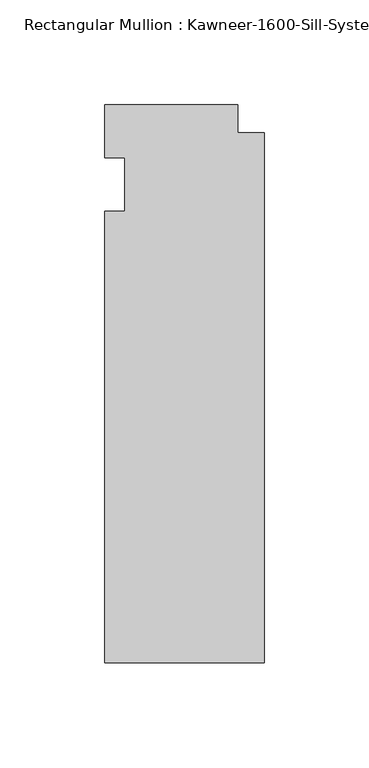
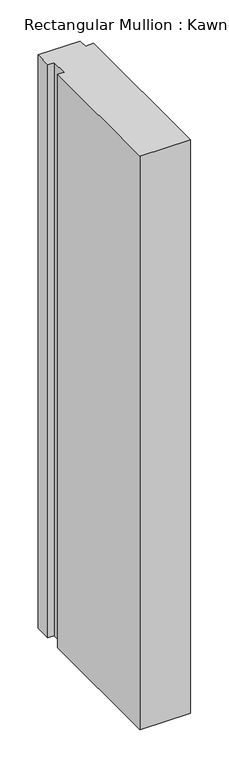
"""IFC4 building model written with IfcOpenShell, lengths in millimetres: member geometry."""

import ifcopenshell
import ifcopenshell.guid

model = None  # the IFC model being written
_history = None  # IfcOwnerHistory: only IFC2X3 demands one
_inside = {}  # id of a spatial element -> (the spatial element, [elements in it])
_under = {}  # id of a project, library or spatial element -> (it, [spatial elements below it])
_declared = {}  # id of a project -> (the project, [libraries it declares])
_typed = {}  # id of a type object -> (the type object, [elements of that type])
_made_of = {}  # id of a material, layer set ... -> (it, [elements and type objects made of it])


def new_model(schema):
    """Start an empty IFC model of exactly this schema.

    Asked for "IFC4X3", IfcOpenShell would pick the latest addendum, in which some entities
    have other attributes; the version numbers below select the first issue.
    IFC2X3 requires an IfcOwnerHistory on every rooted entity: one is made here for all.
    """
    global model, _history
    if schema == "IFC4X3":
        model = ifcopenshell.file(schema_version=(4, 3, 0, 0))
    else:
        model = ifcopenshell.file(schema=schema)
    _inside.clear()
    _under.clear()
    _declared.clear()
    _typed.clear()
    _made_of.clear()
    _history = None
    if model.schema == "IFC2X3":
        org = make("IfcOrganization", Name="unknown")
        user = make(
            "IfcPersonAndOrganization",
            ThePerson=make("IfcPerson", FamilyName="unknown"),
            TheOrganization=org,
        )
        app = make(
            "IfcApplication",
            ApplicationDeveloper=org,
            Version="unknown",
            ApplicationFullName="unknown",
            ApplicationIdentifier="unknown",
        )
        _history = make(
            "IfcOwnerHistory",
            OwningUser=user,
            OwningApplication=app,
            ChangeAction="ADDED",
            CreationDate=0,
        )
    return model


def make(cls, **values):
    """One entity of the class cls with the attributes given. An attribute that is None is left unset."""
    return model.create_entity(
        cls, **{name: value for name, value in values.items() if value is not None}
    )


def rooted(cls, **values):
    """An entity with a GlobalId (a new one), such as an element, a storey or a relation."""
    return make(cls, GlobalId=ifcopenshell.guid.new(), OwnerHistory=_history, **values)


def si_unit(unit_type, name, prefix=None):
    """IfcSIUnit, for example si_unit("LENGTHUNIT", "METRE", prefix="MILLI")."""
    return make("IfcSIUnit", UnitType=unit_type, Prefix=prefix, Name=name)


def assignment(units):
    """IfcUnitAssignment: the units of a project."""
    return None if units is None else make("IfcUnitAssignment", Units=units)


def point(xyz):
    """IfcCartesianPoint."""
    return None if xyz is None else make("IfcCartesianPoint", Coordinates=xyz)


def direction(xyz):
    """IfcDirection."""
    return None if xyz is None else make("IfcDirection", DirectionRatios=xyz)


def frame(location, z_axis=None, x_axis=None):
    """IfcAxis2Placement3D, a coordinate frame: its origin and axes. An axis left out is left unset."""
    return make(
        "IfcAxis2Placement3D",
        Location=point(location),
        Axis=direction(z_axis),
        RefDirection=direction(x_axis),
    )


def origin():
    """The frame at (0, 0, 0) with its axes left unset."""
    return frame((0.0, 0.0, 0.0))


def place(relative_to, where):
    """IfcLocalPlacement: puts the frame where relative to a parent placement (None: the world)."""
    return make(
        "IfcLocalPlacement", PlacementRelTo=relative_to, RelativePlacement=where
    )


def context(
    kind, dimensions, precision=None, world=None, true_north=None, identifier=None
):
    """IfcGeometricRepresentationContext, for example the 3D "Model" context."""
    return make(
        "IfcGeometricRepresentationContext",
        ContextIdentifier=identifier,
        ContextType=kind,
        CoordinateSpaceDimension=dimensions,
        Precision=precision,
        WorldCoordinateSystem=world,
        TrueNorth=true_north,
    )


def project(units=None, contexts=None):
    """IfcProject with its units and contexts."""
    return rooted(
        "IfcProject",
        Name="project",
        RepresentationContexts=contexts,
        UnitsInContext=assignment(units),
    )


def spatial(cls, under=None, at=None, **own):
    """A site, building, storey or space (cls), placed at a placement, below another one or the project."""
    s = rooted(cls, ObjectPlacement=at, **own)
    if under is not None:
        _under.setdefault(under.id(), (under, []))[1].append(s)
    return s


def polyline(points):
    """IfcPolyline through the points."""
    return make("IfcPolyline", Points=[point(p) for p in points])


def outline(outer, holes=None, kind="AREA"):
    """IfcArbitraryClosedProfileDef: a profile drawn as a closed curve; with holes, ...WithVoids."""
    if holes is None:
        return make("IfcArbitraryClosedProfileDef", ProfileType=kind, OuterCurve=outer)
    return make(
        "IfcArbitraryProfileDefWithVoids",
        ProfileType=kind,
        OuterCurve=outer,
        InnerCurves=holes,
    )


def extrude(swept, where, along, depth):
    """IfcExtrudedAreaSolid: the profile swept, set in the frame where, extruded along a direction by depth."""
    return make(
        "IfcExtrudedAreaSolid",
        SweptArea=swept,
        Position=where,
        ExtrudedDirection=direction(along),
        Depth=depth,
    )


def shape(context_of_items, identifier, shape_type, items):
    """IfcShapeRepresentation: the items that make up one representation, for example the "Body"."""
    return make(
        "IfcShapeRepresentation",
        ContextOfItems=context_of_items,
        RepresentationIdentifier=identifier,
        RepresentationType=shape_type,
        Items=items,
    )


def source(mapping_origin, context_of_items, identifier, shape_type, items):
    """IfcRepresentationMap: a shape defined once, which mapped items show again and again."""
    return make(
        "IfcRepresentationMap",
        MappingOrigin=mapping_origin,
        MappedRepresentation=shape(context_of_items, identifier, shape_type, items),
    )


def transform(
    local_origin,
    x_axis=None,
    y_axis=None,
    z_axis=None,
    scale=None,
    scale2=None,
    scale3=None,
    uniform=True,
):
    """IfcCartesianTransformationOperator3D, or its non-uniform kind. x_axis, y_axis, z_axis: its Axis1, 2, 3."""
    if uniform:
        return make(
            "IfcCartesianTransformationOperator3D",
            Axis1=direction(x_axis),
            Axis2=direction(y_axis),
            LocalOrigin=point(local_origin),
            Scale=scale,
            Axis3=direction(z_axis),
        )
    return make(
        "IfcCartesianTransformationOperator3DnonUniform",
        Axis1=direction(x_axis),
        Axis2=direction(y_axis),
        LocalOrigin=point(local_origin),
        Scale=scale,
        Axis3=direction(z_axis),
        Scale2=scale2,
        Scale3=scale3,
    )


def mapped(mapping_source, mapping_target):
    """IfcMappedItem: shows the shape of a source again, moved by a transform."""
    return make(
        "IfcMappedItem", MappingSource=mapping_source, MappingTarget=mapping_target
    )


def made_of(thing, what):
    """Note that an element or type object is made of a material, layer set ...; save() writes the relation."""
    if what is not None:
        _made_of.setdefault(what.id(), (what, []))[1].append(thing)
    return thing


def element(
    cls,
    number,
    at=None,
    inside=None,
    cuts=None,
    type_object=None,
    material=None,
    context=None,
    identifier="Body",
    shape_type=None,
    held_by="IfcProductDefinitionShape",
    body=None,
    shapes=None,
    **own,
):
    """One element of the class cls, such as IfcWall. Its Tag is "e" and its number.

    at: its placement. inside: the storey or other place that contains it. cuts: it is an
    opening in that element (IfcRelVoidsElement). A single representation is given by context,
    identifier, shape_type and body (its items); several are given by shapes. held_by: the class
    of the entity that holds the representations. save() writes the other relations.
    """
    e = rooted(cls, Tag="e%d" % number, ObjectPlacement=at, **own)
    if body is not None:
        shapes = [shape(context, identifier, shape_type, body)]
    if shapes is not None:
        e.Representation = make(held_by, Representations=shapes)
    if inside is not None:
        _inside.setdefault(inside.id(), (inside, []))[1].append(e)
    if cuts is not None:
        rooted(
            "IfcRelVoidsElement", RelatingBuildingElement=cuts, RelatedOpeningElement=e
        )
    if type_object is not None:
        _typed.setdefault(type_object.id(), (type_object, []))[1].append(e)
    return made_of(e, material)


def aggregate(whole, parts):
    """IfcRelAggregates: a whole, such as a stair, and the parts it consists of."""
    return rooted("IfcRelAggregates", RelatingObject=whole, RelatedObjects=parts)


def save(model, path):
    """Write the relations noted so far, then the file.

    IfcRelAggregates (storeys below a building ...), IfcRelContainedInSpatialStructure (elements
    in a storey), IfcRelDefinesByType, IfcRelAssociatesMaterial and IfcRelDeclares: one each for
    every whole, place, type object, material and project.
    """
    for whole, parts in _under.values():
        aggregate(whole, parts)
    for where, things in _inside.values():
        rooted(
            "IfcRelContainedInSpatialStructure",
            RelatedElements=things,
            RelatingStructure=where,
        )
    for kind, things in _typed.values():
        rooted("IfcRelDefinesByType", RelatedObjects=things, RelatingType=kind)
    for what, things in _made_of.values():
        rooted("IfcRelAssociatesMaterial", RelatedObjects=things, RelatingMaterial=what)
    for by, libraries in _declared.values():
        rooted("IfcRelDeclares", RelatingContext=by, RelatedDefinitions=libraries)
    model.write(path)


def member_89429814(model_context):
    return source(origin(), model_context, "Body", "SweptSolid", [
        extrude(outline(polyline([(-76.2, -12.7), (-66.675, -12.7), (-66.675, 12.7), (-76.2, 12.7), (-76.2, 38.1), (-12.7, 38.1), (-12.7, 24.60625), (0.0, 24.60625), (0.0, -228.6), (-76.2, -228.6), (-76.2, -12.7)])), frame((0.0, 0.0, -914.4), z_axis=(0.0, 0.0, 1.0), x_axis=(1.0, 0.0, 0.0)), (0.0, 0.0, 1.0), 914.4),
    ])


if __name__ == "__main__":
    model = new_model("IFC4")
    model_context = context("Model", 3, world=origin())
    ifc_project = project(units=[si_unit("LENGTHUNIT", "METRE", prefix="MILLI")], contexts=[model_context])
    site = spatial("IfcSite", under=ifc_project)
    building = spatial("IfcBuilding", under=site)
    placement = place(None, origin())
    member_shape = member_89429814(model_context)
    element("IfcMember", 1, ObjectType="Rectangular Mullion : Kawneer-1600-Sill-System1-10_1/2\"-1\"Infill", at=placement, inside=building, context=model_context, shape_type="MappedRepresentation", body=[
        mapped(member_shape, transform((0.0, 0.0, 0.0), x_axis=(1.0, 0.0, 0.0), y_axis=(0.0, 1.0, 0.0), z_axis=(0.0, 0.0, 1.0))),
    ])
    save(model, "model.ifc")
